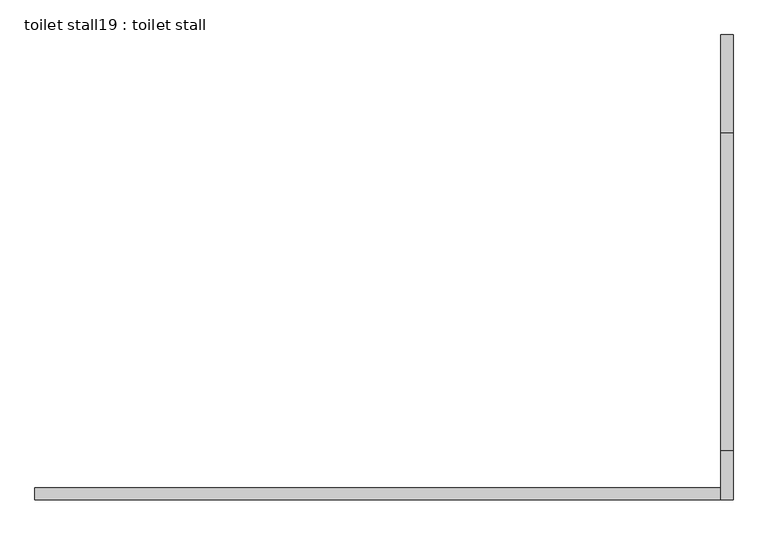
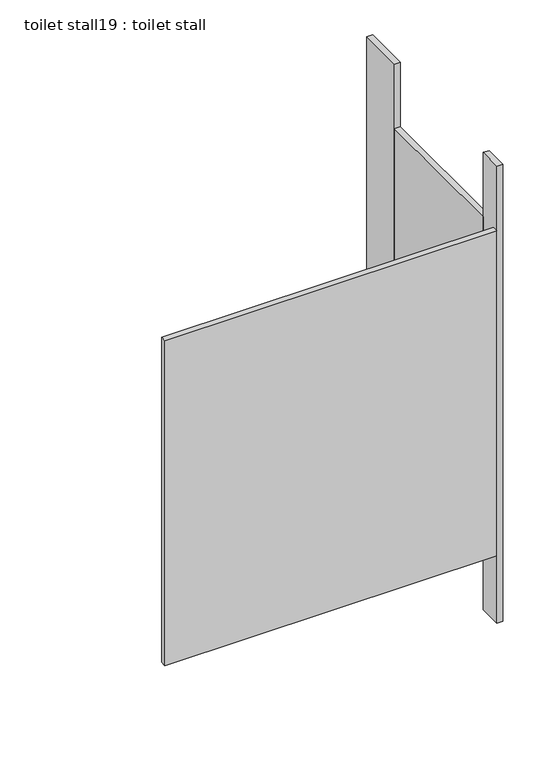
"""IFC4 building model written with IfcOpenShell, lengths in millimetres: proxy geometry, toilet stall19 : toilet stall."""

from ifc_helpers import new_model, si_unit, frame, origin, origin_with_axes, place, context, project, spatial, polyline, outline, extrude, source, transform, mapped, element, save


def toilet_stall19_toilet_stall_bf74b62d(model_context):
    return source(origin(), model_context, "Body", "SweptSolid", [
        extrude(outline(polyline([(458207.8504676, -277787.8738632), (458207.8504676, -277584.6738632), (458233.2504676, -277584.6738632), (458233.2504676, -277787.8738632), (458207.8504676, -277787.8738632)])), origin_with_axes(), (0.0, 0.0, 1.0), 2070.1),
        extrude(outline(polyline([(458207.8504676, -278549.8738632), (458207.8504676, -278448.2738632), (458233.2504676, -278448.2738632), (458233.2504676, -278549.8738632), (458207.8504676, -278549.8738632)])), origin_with_axes(), (0.0, 0.0, 1.0), 2070.1),
        extrude(outline(polyline([(458207.8504676, -278549.8738632), (456785.4504676, -278549.8738632), (456785.4504676, -278524.4738632), (458207.8504676, -278524.4738632), (458207.8504676, -278549.8738632)])), frame((0.0, 0.0, 304.8), z_axis=(0.0, 0.0, 1.0), x_axis=(1.0, 0.0, 0.0)), (0.0, 0.0, 1.0), 1473.2),
        extrude(outline(polyline([(458207.8504676, -278448.2738632), (458207.8504676, -277787.8738632), (458233.2504676, -277787.8738632), (458233.2504676, -278448.2738632), (458207.8504676, -278448.2738632)])), frame((0.0, 0.0, 304.8), z_axis=(0.0, 0.0, 1.0), x_axis=(1.0, 0.0, 0.0)), (0.0, 0.0, 1.0), 1473.2),
    ])


if __name__ == "__main__":
    model = new_model("IFC4")
    model_context = context("Model", 3, world=origin())
    ifc_project = project(units=[si_unit("LENGTHUNIT", "METRE", prefix="MILLI")], contexts=[model_context])
    site = spatial("IfcSite", under=ifc_project)
    building = spatial("IfcBuilding", under=site)
    placement = place(None, origin())
    toilet_stall19_toilet_stall_shape = toilet_stall19_toilet_stall_bf74b62d(model_context)
    element("IfcBuildingElementProxy", 1, Name="toilet stall19 : toilet stall", ObjectType="toilet stall19 : toilet stall", at=placement, inside=building, context=model_context, shape_type="MappedRepresentation", body=[
        mapped(toilet_stall19_toilet_stall_shape, transform((0.0, 0.0, 0.0), x_axis=(1.0, 0.0, 0.0), y_axis=(0.0, 1.0, 0.0), z_axis=(0.0, 0.0, 1.0))),
    ])
    save(model, "model.ifc")
